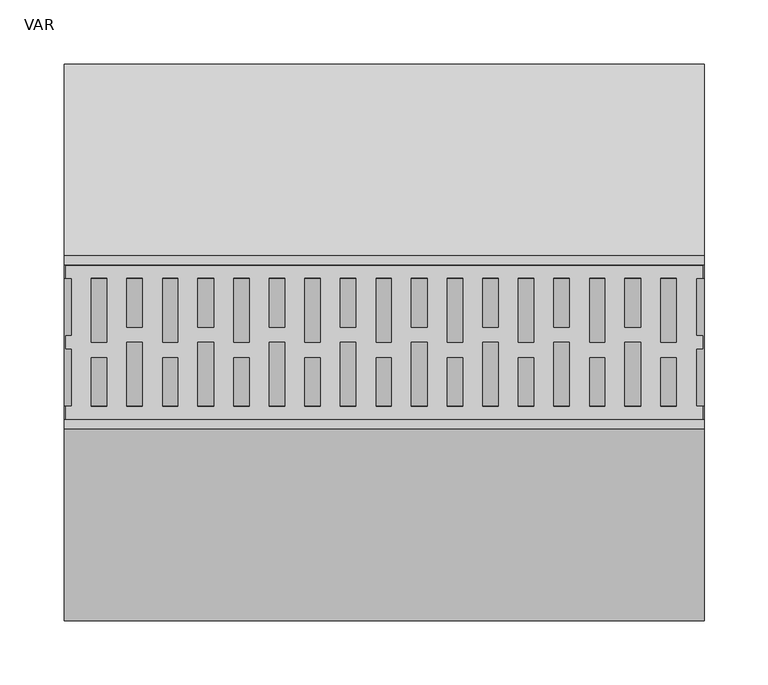
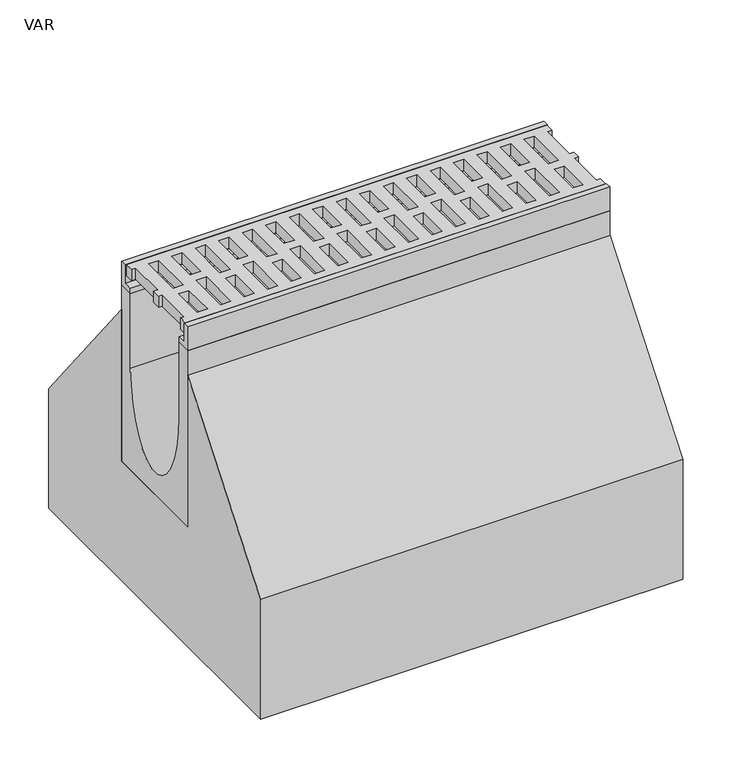
"""IFC4 building model written with IfcOpenShell, lengths in millimetres: flow terminal geometry, VAR."""

import ifcopenshell
import ifcopenshell.guid

model = None  # the IFC model being written
_history = None  # IfcOwnerHistory: only IFC2X3 demands one
_inside = {}  # id of a spatial element -> (the spatial element, [elements in it])
_under = {}  # id of a project, library or spatial element -> (it, [spatial elements below it])
_declared = {}  # id of a project -> (the project, [libraries it declares])
_typed = {}  # id of a type object -> (the type object, [elements of that type])
_made_of = {}  # id of a material, layer set ... -> (it, [elements and type objects made of it])


def new_model(schema):
    """Start an empty IFC model of exactly this schema.

    Asked for "IFC4X3", IfcOpenShell would pick the latest addendum, in which some entities
    have other attributes; the version numbers below select the first issue.
    IFC2X3 requires an IfcOwnerHistory on every rooted entity: one is made here for all.
    """
    global model, _history
    if schema == "IFC4X3":
        model = ifcopenshell.file(schema_version=(4, 3, 0, 0))
    else:
        model = ifcopenshell.file(schema=schema)
    _inside.clear()
    _under.clear()
    _declared.clear()
    _typed.clear()
    _made_of.clear()
    _history = None
    if model.schema == "IFC2X3":
        org = make("IfcOrganization", Name="unknown")
        user = make(
            "IfcPersonAndOrganization",
            ThePerson=make("IfcPerson", FamilyName="unknown"),
            TheOrganization=org,
        )
        app = make(
            "IfcApplication",
            ApplicationDeveloper=org,
            Version="unknown",
            ApplicationFullName="unknown",
            ApplicationIdentifier="unknown",
        )
        _history = make(
            "IfcOwnerHistory",
            OwningUser=user,
            OwningApplication=app,
            ChangeAction="ADDED",
            CreationDate=0,
        )
    return model


def make(cls, **values):
    """One entity of the class cls with the attributes given. An attribute that is None is left unset."""
    return model.create_entity(
        cls, **{name: value for name, value in values.items() if value is not None}
    )


def rooted(cls, **values):
    """An entity with a GlobalId (a new one), such as an element, a storey or a relation."""
    return make(cls, GlobalId=ifcopenshell.guid.new(), OwnerHistory=_history, **values)


def si_unit(unit_type, name, prefix=None):
    """IfcSIUnit, for example si_unit("LENGTHUNIT", "METRE", prefix="MILLI")."""
    return make("IfcSIUnit", UnitType=unit_type, Prefix=prefix, Name=name)


def assignment(units):
    """IfcUnitAssignment: the units of a project."""
    return None if units is None else make("IfcUnitAssignment", Units=units)


def point(xyz):
    """IfcCartesianPoint."""
    return None if xyz is None else make("IfcCartesianPoint", Coordinates=xyz)


def direction(xyz):
    """IfcDirection."""
    return None if xyz is None else make("IfcDirection", DirectionRatios=xyz)


def frame(location, z_axis=None, x_axis=None):
    """IfcAxis2Placement3D, a coordinate frame: its origin and axes. An axis left out is left unset."""
    return make(
        "IfcAxis2Placement3D",
        Location=point(location),
        Axis=direction(z_axis),
        RefDirection=direction(x_axis),
    )


def origin():
    """The frame at (0, 0, 0) with its axes left unset."""
    return frame((0.0, 0.0, 0.0))


def place(relative_to, where):
    """IfcLocalPlacement: puts the frame where relative to a parent placement (None: the world)."""
    return make(
        "IfcLocalPlacement", PlacementRelTo=relative_to, RelativePlacement=where
    )


def context(
    kind, dimensions, precision=None, world=None, true_north=None, identifier=None
):
    """IfcGeometricRepresentationContext, for example the 3D "Model" context."""
    return make(
        "IfcGeometricRepresentationContext",
        ContextIdentifier=identifier,
        ContextType=kind,
        CoordinateSpaceDimension=dimensions,
        Precision=precision,
        WorldCoordinateSystem=world,
        TrueNorth=true_north,
    )


def project(units=None, contexts=None):
    """IfcProject with its units and contexts."""
    return rooted(
        "IfcProject",
        Name="project",
        RepresentationContexts=contexts,
        UnitsInContext=assignment(units),
    )


def spatial(cls, under=None, at=None, **own):
    """A site, building, storey or space (cls), placed at a placement, below another one or the project."""
    s = rooted(cls, ObjectPlacement=at, **own)
    if under is not None:
        _under.setdefault(under.id(), (under, []))[1].append(s)
    return s


def polyline(points):
    """IfcPolyline through the points."""
    return make("IfcPolyline", Points=[point(p) for p in points])


def ellipse_curve(where, semi_axis1, semi_axis2):
    """IfcEllipse in the frame where."""
    return make(
        "IfcEllipse", Position=where, SemiAxis1=semi_axis1, SemiAxis2=semi_axis2
    )


def trimmed(basis, trim1, trim2, sense, master):
    """IfcTrimmedCurve: the piece of a basis curve between two trims."""
    return make(
        "IfcTrimmedCurve",
        BasisCurve=basis,
        Trim1=trim1,
        Trim2=trim2,
        SenseAgreement=sense,
        MasterRepresentation=master,
    )


def outline(outer, holes=None, kind="AREA"):
    """IfcArbitraryClosedProfileDef: a profile drawn as a closed curve; with holes, ...WithVoids."""
    if holes is None:
        return make("IfcArbitraryClosedProfileDef", ProfileType=kind, OuterCurve=outer)
    return make(
        "IfcArbitraryProfileDefWithVoids",
        ProfileType=kind,
        OuterCurve=outer,
        InnerCurves=holes,
    )


def extrude(swept, where, along, depth):
    """IfcExtrudedAreaSolid: the profile swept, set in the frame where, extruded along a direction by depth."""
    return make(
        "IfcExtrudedAreaSolid",
        SweptArea=swept,
        Position=where,
        ExtrudedDirection=direction(along),
        Depth=depth,
    )


def shape(context_of_items, identifier, shape_type, items):
    """IfcShapeRepresentation: the items that make up one representation, for example the "Body"."""
    return make(
        "IfcShapeRepresentation",
        ContextOfItems=context_of_items,
        RepresentationIdentifier=identifier,
        RepresentationType=shape_type,
        Items=items,
    )


def source(mapping_origin, context_of_items, identifier, shape_type, items):
    """IfcRepresentationMap: a shape defined once, which mapped items show again and again."""
    return make(
        "IfcRepresentationMap",
        MappingOrigin=mapping_origin,
        MappedRepresentation=shape(context_of_items, identifier, shape_type, items),
    )


def transform(
    local_origin,
    x_axis=None,
    y_axis=None,
    z_axis=None,
    scale=None,
    scale2=None,
    scale3=None,
    uniform=True,
):
    """IfcCartesianTransformationOperator3D, or its non-uniform kind. x_axis, y_axis, z_axis: its Axis1, 2, 3."""
    if uniform:
        return make(
            "IfcCartesianTransformationOperator3D",
            Axis1=direction(x_axis),
            Axis2=direction(y_axis),
            LocalOrigin=point(local_origin),
            Scale=scale,
            Axis3=direction(z_axis),
        )
    return make(
        "IfcCartesianTransformationOperator3DnonUniform",
        Axis1=direction(x_axis),
        Axis2=direction(y_axis),
        LocalOrigin=point(local_origin),
        Scale=scale,
        Axis3=direction(z_axis),
        Scale2=scale2,
        Scale3=scale3,
    )


def mapped(mapping_source, mapping_target):
    """IfcMappedItem: shows the shape of a source again, moved by a transform."""
    return make(
        "IfcMappedItem", MappingSource=mapping_source, MappingTarget=mapping_target
    )


def made_of(thing, what):
    """Note that an element or type object is made of a material, layer set ...; save() writes the relation."""
    if what is not None:
        _made_of.setdefault(what.id(), (what, []))[1].append(thing)
    return thing


def element(
    cls,
    number,
    at=None,
    inside=None,
    cuts=None,
    type_object=None,
    material=None,
    context=None,
    identifier="Body",
    shape_type=None,
    held_by="IfcProductDefinitionShape",
    body=None,
    shapes=None,
    **own,
):
    """One element of the class cls, such as IfcWall. Its Tag is "e" and its number.

    at: its placement. inside: the storey or other place that contains it. cuts: it is an
    opening in that element (IfcRelVoidsElement). A single representation is given by context,
    identifier, shape_type and body (its items); several are given by shapes. held_by: the class
    of the entity that holds the representations. save() writes the other relations.
    """
    e = rooted(cls, Tag="e%d" % number, ObjectPlacement=at, **own)
    if body is not None:
        shapes = [shape(context, identifier, shape_type, body)]
    if shapes is not None:
        e.Representation = make(held_by, Representations=shapes)
    if inside is not None:
        _inside.setdefault(inside.id(), (inside, []))[1].append(e)
    if cuts is not None:
        rooted(
            "IfcRelVoidsElement", RelatingBuildingElement=cuts, RelatedOpeningElement=e
        )
    if type_object is not None:
        _typed.setdefault(type_object.id(), (type_object, []))[1].append(e)
    return made_of(e, material)


def aggregate(whole, parts):
    """IfcRelAggregates: a whole, such as a stair, and the parts it consists of."""
    return rooted("IfcRelAggregates", RelatingObject=whole, RelatedObjects=parts)


def save(model, path):
    """Write the relations noted so far, then the file.

    IfcRelAggregates (storeys below a building ...), IfcRelContainedInSpatialStructure (elements
    in a storey), IfcRelDefinesByType, IfcRelAssociatesMaterial and IfcRelDeclares: one each for
    every whole, place, type object, material and project.
    """
    for whole, parts in _under.values():
        aggregate(whole, parts)
    for where, things in _inside.values():
        rooted(
            "IfcRelContainedInSpatialStructure",
            RelatedElements=things,
            RelatingStructure=where,
        )
    for kind, things in _typed.values():
        rooted("IfcRelDefinesByType", RelatedObjects=things, RelatingType=kind)
    for what, things in _made_of.values():
        rooted("IfcRelAssociatesMaterial", RelatedObjects=things, RelatingMaterial=what)
    for by, libraries in _declared.values():
        rooted("IfcRelDeclares", RelatingContext=by, RelatedDefinitions=libraries)
    model.write(path)


def plane_surface(at):
    """IfcPlane: the flat surface through the origin of the frame at, square to its z axis."""
    return make("IfcPlane", Position=at)


def extruded_surface(curve, direction_of_extrusion, depth):
    """IfcSurfaceOfLinearExtrusion: the curve pushed along a direction by depth."""
    return make(
        "IfcSurfaceOfLinearExtrusion",
        SweptCurve=make("IfcArbitraryOpenProfileDef", ProfileType="CURVE", Curve=curve),
        ExtrudedDirection=direction(direction_of_extrusion),
        Depth=depth,
    )


def advanced_brep(points, edges, surfaces, faces):
    """IfcAdvancedBrep: a solid bounded by faces that lie on surfaces and meet in shared edges.

    An edge is (start, end): straight between two places in points (the first is 0);
    or (start, end, curve); or (start, end, curve, False) where it runs against its curve.
    A face is (place in surfaces, loops), or (place, loops, False) where it looks against
    its surface's normal. A loop lists edges by number (the first is 1), with a minus sign
    where the edge is run from its end to its start. The first loop is the outer one.
    """
    corners = [point(p) for p in points]
    vertices = [make("IfcVertexPoint", VertexGeometry=c) for c in corners]
    made = []
    for start, end, *more in edges:
        made.append(
            make(
                "IfcEdgeCurve",
                EdgeStart=vertices[start],
                EdgeEnd=vertices[end],
                EdgeGeometry=more[0] if more else make("IfcPolyline", Points=[corners[start], corners[end]]),
                SameSense=more[1] if len(more) > 1 else True,
            )
        )
    hull = []
    for where, loops, *sense in faces:
        bounds = []
        for j, loop in enumerate(loops):
            ring = [make("IfcOrientedEdge", EdgeElement=made[abs(k) - 1], Orientation=k > 0) for k in loop]
            bounds.append(
                make(
                    "IfcFaceOuterBound" if j == 0 else "IfcFaceBound",
                    Bound=make("IfcEdgeLoop", EdgeList=ring),
                    Orientation=True,
                )
            )
        hull.append(make("IfcAdvancedFace", Bounds=bounds, FaceSurface=surfaces[where], SameSense=sense[0] if sense else True))
    return make("IfcAdvancedBrep", Outer=make("IfcClosedShell", CfsFaces=hull))


def var_b388fe1d(model_context):
    return source(origin(), model_context, "Body", "SolidModel", [
        extrude(outline(polyline([(499.0, 50.0), (493.7871589, 50.0), (493.7871589, 5.0), (499.0, 5.0), (499.0, -5.0), (493.9604202, -5.0), (493.9604202, -50.0), (499.0, -50.0), (499.0, -60.0), (1.5, -60.0), (1.5, -50.0), (6.0847381, -50.0), (6.0847381, -5.0), (1.5, -5.0), (1.5, 5.0), (6.0847381, 5.0), (6.0847381, 50.0), (1.5, 50.0), (1.5, 60.0), (499.0, 60.0), (499.0, 50.0)]), holes=[polyline([(478.2, 50.0), (466.2429028, 50.0), (466.2429028, 0.0), (478.2, 0.0), (478.2, 50.0)]), polyline([(422.6, 50.0), (410.6429028, 50.0), (410.6429028, 0.0), (422.6, 0.0), (422.6, 50.0)]), polyline([(367.0, 50.0), (355.0429028, 50.0), (355.0429028, 0.0), (367.0, 0.0), (367.0, 50.0)]), polyline([(311.4, 50.0), (299.4429028, 50.0), (299.4429028, 0.0), (311.4, 0.0), (311.4, 50.0)]), polyline([(255.8, 50.0), (243.8429028, 50.0), (243.8429028, 0.0), (255.8, 0.0), (255.8, 50.0)]), polyline([(200.2, 50.0), (188.2429028, 50.0), (188.2429028, 0.0), (200.2, 0.0), (200.2, 50.0)]), polyline([(144.6, 50.0), (132.6429028, 50.0), (132.6429028, 0.0), (144.6, 0.0), (144.6, 50.0)]), polyline([(89.0, 50.0), (77.0429028, 50.0), (77.0429028, 0.0), (89.0, 0.0), (89.0, 50.0)]), polyline([(49.0305238, -50.0), (61.2, -50.0), (61.2, 0.0), (49.0305238, 0.0), (49.0305238, -50.0)]), polyline([(104.6305238, -50.0), (116.8, -50.0), (116.8, 0.0), (104.6305238, 0.0), (104.6305238, -50.0)]), polyline([(160.2305238, -50.0), (172.4, -50.0), (172.4, 0.0), (160.2305238, 0.0), (160.2305238, -50.0)]), polyline([(215.8305238, -50.0), (228.0, -50.0), (228.0, 0.0), (215.8305238, 0.0), (215.8305238, -50.0)]), polyline([(271.4305238, -50.0), (283.6, -50.0), (283.6, 0.0), (271.4305238, 0.0), (271.4305238, -50.0)]), polyline([(327.0305238, -50.0), (339.2, -50.0), (339.2, 0.0), (327.0305238, 0.0), (327.0305238, -50.0)]), polyline([(382.6305238, -50.0), (394.8, -50.0), (394.8, 0.0), (382.6305238, 0.0), (382.6305238, -50.0)]), polyline([(438.2305238, -50.0), (450.4, -50.0), (450.4, 0.0), (438.2305238, 0.0), (438.2305238, -50.0)]), polyline([(450.4, 50.0), (438.2305238, 50.0), (438.2305238, 11.948473), (450.4, 11.948473), (450.4, 50.0)]), polyline([(394.8, 50.0), (382.6305238, 50.0), (382.6305238, 11.948473), (394.8, 11.948473), (394.8, 50.0)]), polyline([(339.2, 50.0), (327.0305238, 50.0), (327.0305238, 11.948473), (339.2, 11.948473), (339.2, 50.0)]), polyline([(283.6, 50.0), (271.4305238, 50.0), (271.4305238, 11.948473), (283.6, 11.948473), (283.6, 50.0)]), polyline([(228.0, 50.0), (215.8305238, 50.0), (215.8305238, 11.948473), (228.0, 11.948473), (228.0, 50.0)]), polyline([(172.4, 50.0), (160.2305238, 50.0), (160.2305238, 11.948473), (172.4, 11.948473), (172.4, 50.0)]), polyline([(116.8, 50.0), (104.6305238, 50.0), (104.6305238, 11.948473), (116.8, 11.948473), (116.8, 50.0)]), polyline([(61.2, 50.0), (49.0305238, 50.0), (49.0305238, 11.948473), (61.2, 11.948473), (61.2, 50.0)]), polyline([(478.2, -50.0), (478.2, -11.948473), (466.2, -11.948473), (466.2, -50.0), (478.2, -50.0)]), polyline([(422.6, -50.0), (422.6, -11.948473), (410.6, -11.948473), (410.6, -50.0), (422.6, -50.0)]), polyline([(367.0, -50.0), (367.0, -11.948473), (355.0, -11.948473), (355.0, -50.0), (367.0, -50.0)]), polyline([(311.4, -50.0), (311.4, -11.948473), (299.4, -11.948473), (299.4, -50.0), (311.4, -50.0)]), polyline([(255.8, -50.0), (255.8, -11.948473), (243.8, -11.948473), (243.8, -50.0), (255.8, -50.0)]), polyline([(200.2, -50.0), (200.2, -11.948473), (188.2, -11.948473), (188.2, -50.0), (200.2, -50.0)]), polyline([(144.6, -50.0), (144.6, -11.948473), (132.6, -11.948473), (132.6, -50.0), (144.6, -50.0)]), polyline([(89.0, -50.0), (89.0, -11.948473), (77.0, -11.948473), (77.0, -50.0), (89.0, -50.0)]), polyline([(33.4, -50.0), (33.4, -11.948473), (21.4, -11.948473), (21.4, -50.0), (33.4, -50.0)]), polyline([(33.4, 50.0), (21.4429028, 50.0), (21.4429028, 0.0), (33.4, 0.0), (33.4, 50.0)])]), frame((0.0, 0.0, -14.0), z_axis=(0.0, 0.0, 1.0), x_axis=(1.0, 0.0, 0.0)), (0.0, 0.0, 1.0), 14.0),
        advanced_brep(
        [(0.0, 50.0, -30.0), (0.0, 67.5, -30.0), (0.0, 67.5, -250.0), (0.0, -67.5, -250.0), (0.0, -67.5, -30.0), (0.0, -50.0, -30.0), (0.0, -50.0, -123.0), (0.0, 50.0, -123.0), (500.0, 50.0, -30.0), (500.0, 50.0, -123.0), (500.0, -50.0, -123.0), (500.0, -50.0, -30.0), (500.0, -67.5, -30.0), (500.0, -67.5, -250.0), (500.0, 67.5, -250.0), (500.0, 67.5, -30.0)],
        [
            (0, 1),
            (1, 2),
            (2, 3),
            (3, 4),
            (4, 5),
            (5, 6),
            (6, 7, ellipse_curve(frame((0.0, 0.0, -123.0), z_axis=(1.0, 0.0, 0.0), x_axis=(0.0, 1.0, 0.0)), 50.0, 100.0)),
            (7, 0),
            (8, 9),
            (9, 10, ellipse_curve(frame((500.0, 0.0, -123.0), z_axis=(-1.0, 0.0, 0.0), x_axis=(0.0, 1.0, 0.0)), 50.0, 100.0)),
            (10, 11),
            (11, 12),
            (12, 13),
            (13, 14),
            (14, 15),
            (15, 8),
            (8, 0),
            (7, 9),
            (6, 10),
            (5, 11),
            (4, 12),
            (3, 13),
            (2, 14),
            (1, 15),
        ],
        [
            plane_surface(frame((0.0, 0.0, -108.25), z_axis=(-1.0, 0.0, 0.0), x_axis=(0.0, 0.0, -1.0))),
            plane_surface(frame((500.0, 0.0, -108.25), z_axis=(1.0, 0.0, 0.0), x_axis=(0.0, 0.0, -1.0))),
            plane_surface(frame((500.0, 50.0, -76.5), z_axis=(0.0, -1.0, 0.0), x_axis=(0.0, 0.0, -1.0))),
            extruded_surface(trimmed(ellipse_curve(frame((0.0, 0.0, -123.0), z_axis=(-1.0, 0.0, 0.0), x_axis=(0.0, 1.0, 0.0)), 50.0, 100.0), [point((0.0, 50.0, -123.0))], [point((0.0, -50.0, -123.0))], True, "CARTESIAN"), (500.0, 0.0, 0.0), 500.0),
            plane_surface(frame((500.0, -50.0, -76.5), z_axis=(0.0, 1.0, 0.0), x_axis=(0.0, 0.0, 1.0))),
            plane_surface(frame((500.0, -58.75, -30.0), z_axis=(0.0, 0.0, 1.0), x_axis=(0.0, -1.0, 0.0))),
            plane_surface(frame((500.0, -67.5, -140.0), z_axis=(0.0, -1.0, 0.0), x_axis=(0.0, 0.0, -1.0))),
            plane_surface(frame((500.0, 0.0, -250.0), z_axis=(0.0, 0.0, -1.0), x_axis=(0.0, 1.0, 0.0))),
            plane_surface(frame((500.0, 67.5, -140.0), z_axis=(0.0, 1.0, 0.0), x_axis=(0.0, 0.0, 1.0))),
            plane_surface(frame((500.0, 58.75, -30.0), z_axis=(0.0, 0.0, 1.0), x_axis=(0.0, -1.0, 0.0))),
        ],
        [
            (0, [[1, 2, 3, 4, 5, 6, 7, 8]]),
            (1, [[9, 10, 11, 12, 13, 14, 15, 16]]),
            (2, [[17, -8, 18, -9]]),
            (3, [[-18, -7, 19, -10]]),
            (4, [[-19, -6, 20, -11]]),
            (5, [[-20, -5, 21, -12]]),
            (6, [[-21, -4, 22, -13]]),
            (7, [[-22, -3, 23, -14]]),
            (8, [[-23, -2, 24, -15]]),
            (9, [[-24, -1, -17, -16]]),
        ],
    ),
        extrude(outline(polyline([(60.5, 0.0), (67.5, 0.0), (67.5, -30.0), (50.0, -30.0), (50.0, -23.0), (60.5, -23.0), (60.5, 0.0)])), frame((0.0, 0.0, 0.0), z_axis=(1.0, 0.0, 0.0), x_axis=(0.0, 1.0, 0.0)), (0.0, 0.0, 1.0), 500.0),
        extrude(outline(polyline([(-60.5, 0.0), (-60.5, -23.0), (-50.0, -23.0), (-50.0, -30.0), (-67.5, -30.0), (-67.5, 0.0), (-60.5, 0.0)])), frame((0.0, 0.0, 0.0), z_axis=(1.0, 0.0, 0.0), x_axis=(0.0, 1.0, 0.0)), (0.0, 0.0, 1.0), 500.0),
        extrude(outline(polyline([(67.5, -250.0), (67.5, -60.0), (217.5, -250.0), (217.5, -400.0), (-217.5, -400.0), (-217.5, -250.0), (-67.5, -60.0), (-67.5, -250.0), (67.5, -250.0)])), frame((0.0, 0.0, 0.0), z_axis=(1.0, 0.0, 0.0), x_axis=(0.0, 1.0, 0.0)), (0.0, 0.0, 1.0), 500.0),
    ])


if __name__ == "__main__":
    model = new_model("IFC4")
    model_context = context("Model", 3, world=origin())
    ifc_project = project(units=[si_unit("LENGTHUNIT", "METRE", prefix="MILLI")], contexts=[model_context])
    site = spatial("IfcSite", under=ifc_project)
    building = spatial("IfcBuilding", under=site)
    placement = place(None, origin())
    var_shape = var_b388fe1d(model_context)
    element("IfcFlowTerminal", 1, ObjectType="VAR", at=placement, inside=building, context=model_context, shape_type="MappedRepresentation", body=[
        mapped(var_shape, transform((0.0, 0.0, 0.0), x_axis=(1.0, 0.0, 0.0), y_axis=(0.0, 1.0, 0.0), z_axis=(0.0, 0.0, 1.0))),
    ])
    save(model, "model.ifc")
